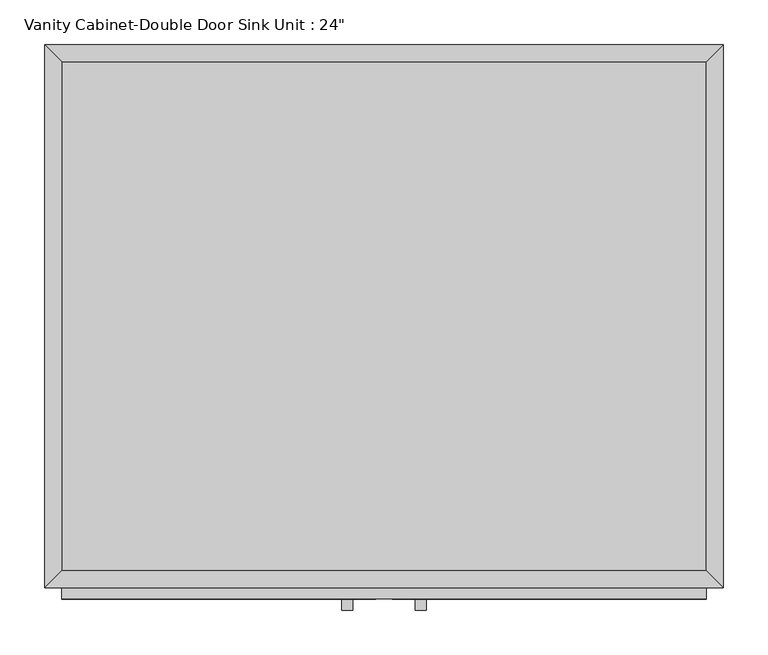
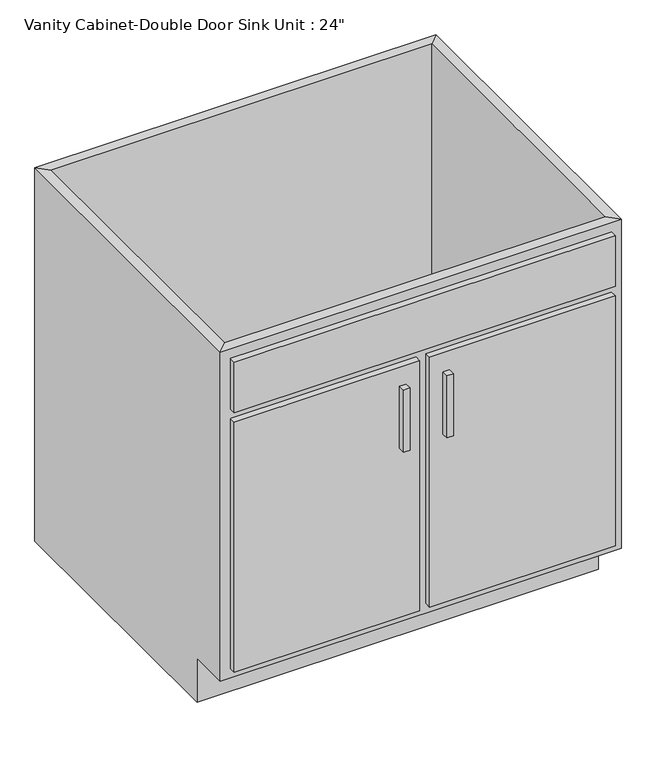
"""IFC4 building model written with IfcOpenShell, lengths in millimetres: furniture geometry."""

from ifc_helpers import new_model, si_unit, frame, origin, place, context, project, spatial, polyline, outline, extrude, faceted_brep, source, transform, mapped, element, save


def furniture_8f9ea392(model_context):
    return source(origin(), model_context, "Body", "SolidModel", [
        faceted_brep([(380.6877049, -590.55, 749.3), (380.6877049, -590.55, 88.9), (-343.2122951, -590.55, 88.9), (-343.2122951, -590.55, 749.3), (-362.2622951, -609.6, 749.3), (399.7377049, -609.6, 749.3), (-362.2622951, -609.6, 88.9), (399.7377049, -609.6, 88.9), (-343.2122951, -533.4, 88.9), (-343.2122951, -19.05, 88.9), (-343.2122951, -19.05, 749.3), (-362.2622951, 0.0, 749.3), (-362.2622951, 0.0, 0.0), (-362.2622951, -533.4, 0.0), (-362.2622951, -533.4, 88.9), (380.6877049, -19.05, 88.9), (380.6877049, -19.05, 749.3), (399.7377049, 0.0, 749.3), (399.7377049, 0.0, 0.0), (380.6877049, -533.4, 88.9), (399.7377049, -533.4, 88.9), (399.7377049, -533.4, 0.0)], [[[0, 1, 2, 3]], [[0, 3, 4, 5]], [[5, 4, 6, 7]], [[2, 1, 7, 6]], [[3, 2, 8, 9, 10]], [[4, 3, 10, 11]], [[6, 4, 11, 12, 13, 14]], [[2, 6, 14, 8]], [[10, 9, 15, 16]], [[11, 10, 16, 17]], [[12, 11, 17, 18]], [[1, 0, 16, 15, 19]], [[0, 5, 17, 16]], [[5, 7, 20, 21, 18, 17]], [[7, 1, 19, 20]], [[8, 19, 15, 9]], [[18, 21, 13, 12]], [[13, 21, 20, 19, 8, 14]]]),
        extrude(outline(polyline([(-16.1872951, -635.0), (-28.8872951, -635.0), (-28.8872951, -622.3), (-16.1872951, -622.3), (-16.1872951, -635.0)])), frame((0.0, 0.0, 446.769895), z_axis=(0.0, 0.0, 1.0), x_axis=(1.0, 0.0, 0.0)), (0.0, 0.0, 1.0), 124.730105),
        extrude(outline(polyline([(66.3627049, -635.0), (53.6627049, -635.0), (53.6627049, -622.3), (66.3627049, -622.3), (66.3627049, -635.0)])), frame((0.0, 0.0, 446.769895), z_axis=(0.0, 0.0, 1.0), x_axis=(1.0, 0.0, 0.0)), (0.0, 0.0, 1.0), 124.730105),
        extrude(outline(polyline([(380.6877049, -19.05), (380.6877049, -590.55), (-343.2122951, -590.55), (-343.2122951, -19.05), (380.6877049, -19.05)])), frame((0.0, 0.0, 88.9), z_axis=(0.0, 0.0, 1.0), x_axis=(1.0, 0.0, 0.0)), (0.0, 0.0, 1.0), 19.05),
        extrude(outline(polyline([(9.2127049, -622.3), (-343.2122951, -622.3), (-343.2122951, -609.6), (9.2127049, -609.6), (9.2127049, -622.3)])), frame((0.0, 0.0, 107.95), z_axis=(0.0, 0.0, 1.0), x_axis=(1.0, 0.0, 0.0)), (0.0, 0.0, 1.0), 501.65),
        extrude(outline(polyline([(380.6877049, -622.3), (28.2627049, -622.3), (28.2627049, -609.6), (380.6877049, -609.6), (380.6877049, -622.3)])), frame((0.0, 0.0, 107.95), z_axis=(0.0, 0.0, 1.0), x_axis=(1.0, 0.0, 0.0)), (0.0, 0.0, 1.0), 501.65),
        extrude(outline(polyline([(380.6877049, -622.3), (-343.2122951, -622.3), (-343.2122951, -609.6), (380.6877049, -609.6), (380.6877049, -622.3)])), frame((0.0, 0.0, 628.65), z_axis=(0.0, 0.0, 1.0), x_axis=(1.0, 0.0, 0.0)), (0.0, 0.0, 1.0), 101.6),
    ])


if __name__ == "__main__":
    model = new_model("IFC4")
    model_context = context("Model", 3, world=origin())
    ifc_project = project(units=[si_unit("LENGTHUNIT", "METRE", prefix="MILLI")], contexts=[model_context])
    site = spatial("IfcSite", under=ifc_project)
    building = spatial("IfcBuilding", under=site)
    placement = place(None, origin())
    furniture_shape = furniture_8f9ea392(model_context)
    element("IfcFurniture", 1, ObjectType="Vanity Cabinet-Double Door Sink Unit : 24\"", at=placement, inside=building, context=model_context, shape_type="MappedRepresentation", body=[
        mapped(furniture_shape, transform((0.0, 0.0, 0.0), x_axis=(1.0, 0.0, 0.0), y_axis=(0.0, 1.0, 0.0), z_axis=(0.0, 0.0, 1.0))),
    ])
    save(model, "model.ifc")
